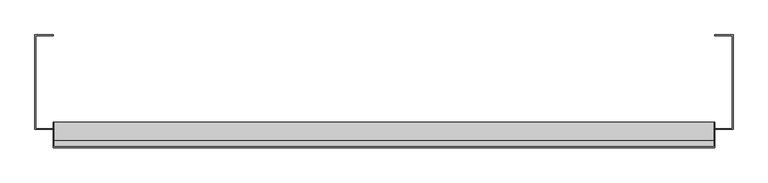
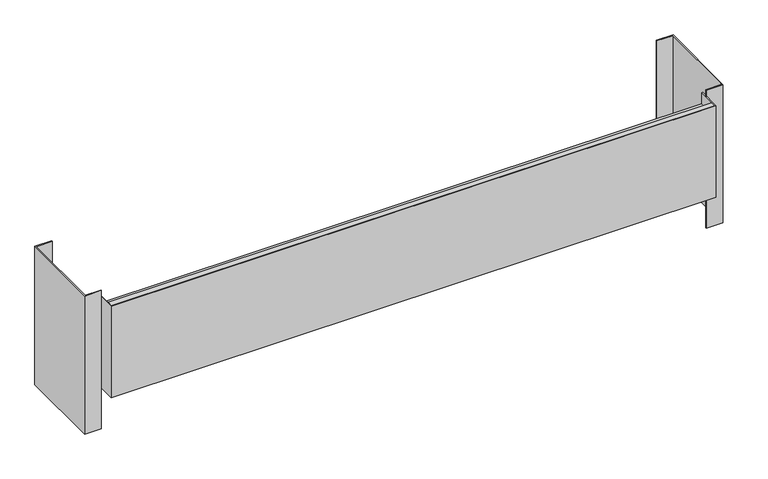
"""IFC4 building model written with IfcOpenShell, lengths in millimetres: furniture geometry."""

from ifc_helpers import new_model, si_unit, frame, origin, place, context, project, spatial, polyline, outline, extrude, source, transform, mapped, element, save


def furniture_8afdd2c4(model_context):
    return source(origin(), model_context, "Body", "SweptSolid", [
        extrude(outline(polyline([(-609.6, -126.20625), (-577.8500008, -126.20625), (-577.8500008, -127.79375), (-608.0125, -127.79375), (-608.0125, -289.7187621), (-577.8500008, -289.7187621), (-577.8500008, -291.3062621), (-609.6, -291.3062621), (-609.6, -126.20625)])), frame((0.0, 0.0, 205.57998), z_axis=(0.0, 0.0, 1.0), x_axis=(1.0, 0.0, 0.0)), (0.0, 0.0, 1.0), 279.4),
        extrude(outline(polyline([(577.8500121, -126.20625), (609.6, -126.20625), (609.6, -291.3062621), (577.8500121, -291.3062621), (577.8500121, -289.7187621), (608.0125, -289.7187621), (608.0125, -127.79375), (577.8500121, -127.79375), (577.8500121, -126.20625)])), frame((0.0, 0.0, 205.57998), z_axis=(0.0, 0.0, 1.0), x_axis=(1.0, 0.0, 0.0)), (0.0, 0.0, 1.0), 279.4),
        extrude(outline(polyline([(577.8500121, -278.6062561), (577.8500121, -323.05625), (-577.8500008, -323.05625), (-577.8500008, -278.6062561), (-576.2625008, -278.6062561), (-576.2625008, -321.46875), (576.2625121, -321.46875), (576.2625121, -278.6062561), (577.8500121, -278.6062561)])), frame((0.0, 0.0, 288.1299679), z_axis=(0.0, 0.0, 1.0), x_axis=(1.0, 0.0, 0.0)), (0.0, 0.0, 1.0), 184.1500242),
        extrude(outline(polyline([(576.2625121, -311.1182614), (576.2625121, -321.46875), (-576.2625008, -321.46875), (-576.2625008, -311.1182614), (576.2625121, -311.1182614)])), frame((0.0, 0.0, 462.7549921), z_axis=(0.0, 0.0, 1.0), x_axis=(1.0, 0.0, 0.0)), (0.0, 0.0, 1.0), 9.525),
        extrude(outline(polyline([(576.2625121, -278.6062561), (576.2625121, -321.46875), (-576.2625008, -321.46875), (-576.2625008, -278.6062561), (576.2625121, -278.6062561)])), frame((0.0, 0.0, 288.1299679), z_axis=(0.0, 0.0, 1.0), x_axis=(1.0, 0.0, 0.0)), (0.0, 0.0, 1.0), 161.9250363),
    ])


if __name__ == "__main__":
    model = new_model("IFC4")
    model_context = context("Model", 3, world=origin())
    ifc_project = project(units=[si_unit("LENGTHUNIT", "METRE", prefix="MILLI")], contexts=[model_context])
    site = spatial("IfcSite", under=ifc_project)
    building = spatial("IfcBuilding", under=site)
    placement = place(None, origin())
    furniture_shape = furniture_8afdd2c4(model_context)
    element("IfcFurniture", 1, at=placement, inside=building, context=model_context, shape_type="MappedRepresentation", body=[
        mapped(furniture_shape, transform((0.0, 0.0, 0.0), x_axis=(1.0, 0.0, 0.0), y_axis=(0.0, 1.0, 0.0), z_axis=(0.0, 0.0, 1.0))),
    ])
    save(model, "model.ifc")
